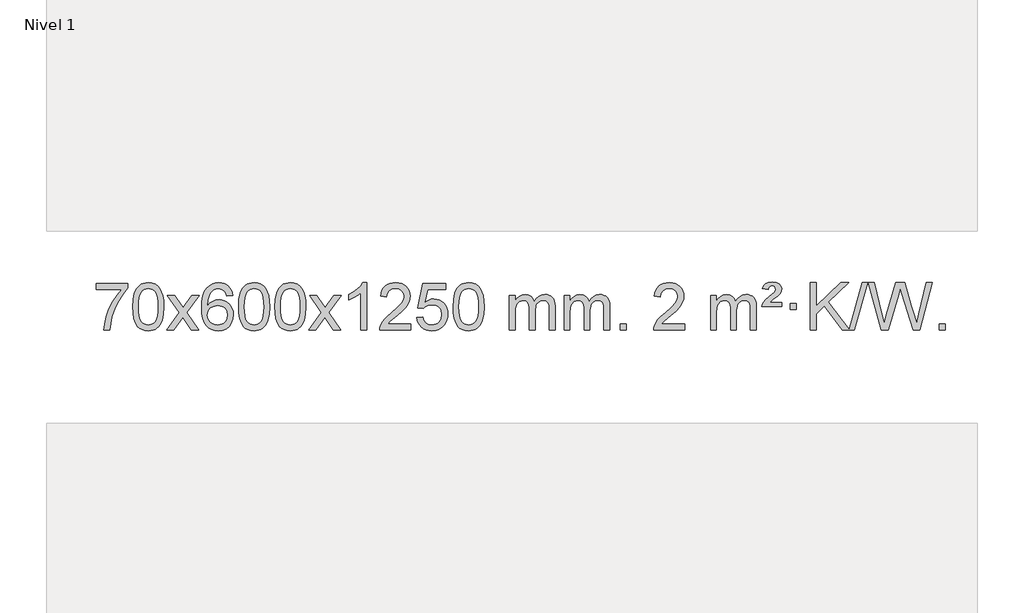
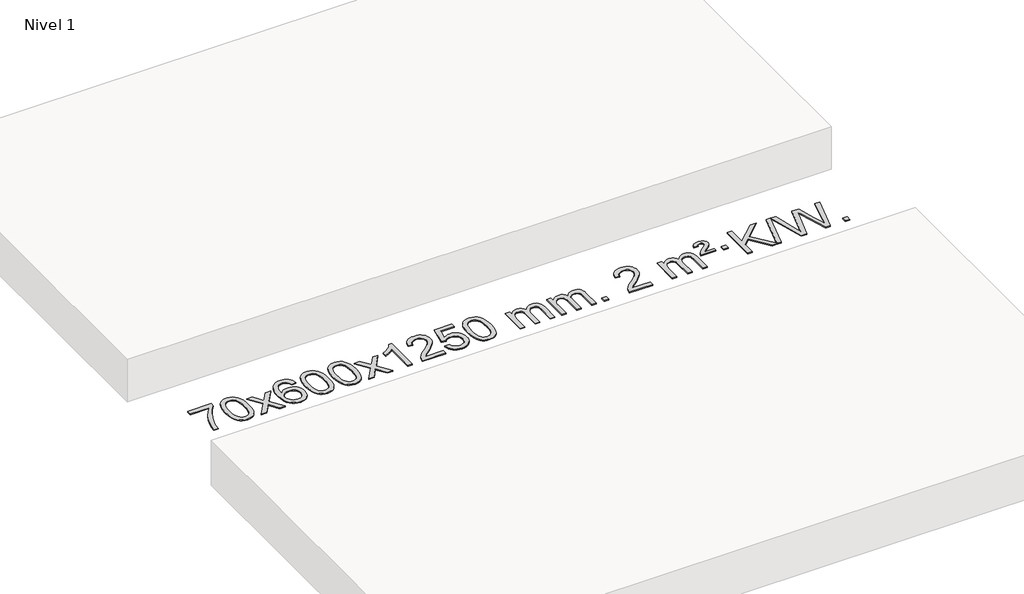
# One storey, part 3 of 7: 1 proxy.
"""IFC4 building model written with IfcOpenShell, lengths in millimetres."""

from ifc_helpers import new_model, si_unit, origin, origin_with_axes, place, context, project, spatial, polyline, outline, extrude, element, save

model = new_model("IFC4")

# Units and contexts
model_context = context("Model", 3, world=origin())
ifc_project = project(units=[si_unit("LENGTHUNIT", "METRE", prefix="MILLI")], contexts=[model_context])

# Site, building, storey
site = spatial("IfcSite", under=ifc_project)
building = spatial("IfcBuilding", under=site)
storey = spatial("IfcBuildingStorey", under=building, Name="Nivel 1", Elevation=0.0)

# Proxy
placement = place(None, origin())
element("IfcBuildingElementProxy", 1, Name="Texto de modelo 1", ObjectType="Texto de modelo 1", at=placement, inside=storey, context=model_context, shape_type="SweptSolid", body=[
    extrude(outline(polyline([(-25593.8451637, -6639.2982907), (-25593.8451637, -6589.0701357), (-25330.1473496, -6589.0701357), (-25330.1473496, -6629.6843079), (-25367.7326267, -6677.2514499), (-25404.9500219, -6737.7435126), (-25437.7773586, -6805.6422662), (-25462.1924604, -6875.4294807), (-25474.1608879, -6927.6441985), (-25480.8318148, -6984.6168569), (-25531.0599699, -6984.6168569), (-25525.6275791, -6932.8435974), (-25511.0962403, -6871.3092024), (-25487.8583609, -6806.0837246), (-25456.3063484, -6743.2372171), (-25419.469098, -6686.4239743), (-25380.3755046, -6639.2982907), (-25593.8451637, -6639.2982907)])), origin_with_axes(), (0.0, 0.0, 1.0), 10.0),
    extrude(outline(polyline([(-25286.1977139, -6786.9415981), (-25282.5066312, -6722.6235626), (-25271.4333831, -6671.3285498), (-25253.0883343, -6632.2717446), (-25241.2302713, -6617.0383643), (-25227.5818493, -6604.6683323), (-25212.097083, -6595.097269), (-25194.7299871, -6588.2607953), (-25154.3488068, -6582.7916163), (-25123.3976683, -6586.0289778), (-25095.6838913, -6595.7410625), (-25072.5073256, -6611.5477256), (-25055.1678209, -6633.0688223), (-25042.0712219, -6660.1204117), (-25031.6233732, -6692.5185527), (-25024.7807681, -6733.6600225), (-25022.4998997, -6786.9415981), (-25026.1541942, -6850.8917516), (-25037.1170777, -6902.0641372), (-25055.3517619, -6941.1577305), (-25067.1822337, -6956.437096), (-25080.8214587, -6968.8715075), (-25096.3246191, -6978.5069501), (-25113.7468973, -6985.3894091), (-25154.3488068, -6990.8953763), (-25182.0135328, -6988.5041433), (-25206.5389992, -6981.3304444), (-25227.9252058, -6969.3742795), (-25246.1721528, -6952.6356488), (-25263.6833358, -6922.3773547), (-25276.1913236, -6884.6755815), (-25283.6961163, -6839.5303293), (-25286.1977139, -6786.9415981)]), holes=[polyline([(-25235.9695588, -6786.8434963), (-25234.4980308, -6830.5080234), (-25230.0834469, -6865.8522861), (-25222.725807, -6892.8762843), (-25212.4251111, -6911.5800181), (-25199.9661742, -6924.3056694), (-25186.1338112, -6933.3954204), (-25170.9280221, -6938.849271), (-25154.3488068, -6940.6672212), (-25137.7695916, -6938.8431396), (-25122.5638024, -6933.3708949), (-25108.7314394, -6924.2504871), (-25096.2725025, -6911.4819162), (-25085.9718066, -6892.7475256), (-25078.6141667, -6865.7296588), (-25074.1995828, -6830.4283156), (-25072.7280548, -6786.8434963), (-25074.1505319, -6744.3347317), (-25078.417963, -6709.6128027), (-25085.5303482, -6682.6777093), (-25095.4876876, -6663.5294515), (-25107.738158, -6650.1814664), (-25121.7299366, -6640.6471914), (-25137.4630232, -6634.9266264), (-25154.937418, -6633.0197713), (-25171.4307941, -6634.6997658), (-25186.3790659, -6639.7397491), (-25199.7822332, -6648.1397213), (-25211.6402962, -6659.8996825), (-25222.2843486, -6680.7463289), (-25229.8872431, -6708.8525133), (-25234.4489799, -6744.2182358), (-25235.9695588, -6786.8434963)])]), origin_with_axes(), (0.0, 0.0, 1.0), 10.0),
    extrude(outline(polyline([(-24997.3858222, -6984.6168569), (-24890.0623815, -6836.2868364), (-24991.1073028, -6689.5264458), (-24930.6765537, -6689.5264458), (-24881.9199266, -6760.1597889), (-24859.1602939, -6793.5144231), (-24839.4418189, -6766.2421045), (-24783.9161631, -6689.5264458), (-24723.4854141, -6689.5264458), (-24829.6316324, -6836.2868364), (-24727.4094887, -6984.6168569), (-24787.8402377, -6984.6168569), (-24849.3501073, -6895.4422612), (-24860.6318219, -6879.1573516), (-24936.9550731, -6984.6168569), (-24997.3858222, -6984.6168569)])), origin_with_axes(), (0.0, 0.0, 1.0), 10.0),
    extrude(outline(polyline([(-24438.597597, -6689.5264458), (-24488.8257521, -6695.8049652), (-24496.919156, -6670.9116168), (-24507.8575139, -6653.9154687), (-24530.6416722, -6638.2436957), (-24558.1837709, -6633.0197713), (-24581.5320148, -6636.0609292), (-24603.5068327, -6645.1844027), (-24622.379179, -6664.4001055), (-24637.7934346, -6690.850821), (-24648.2044951, -6728.2644199), (-24652.0672561, -6780.3687731), (-24631.9195855, -6756.8611137), (-24607.7742638, -6740.2941611), (-24580.9801919, -6730.4717119), (-24552.8862702, -6727.1975621), (-24528.7532113, -6729.4355109), (-24506.4840878, -6736.1493573), (-24486.0788998, -6747.3391013), (-24467.5376473, -6763.004743), (-24452.129523, -6782.2143145), (-24441.12372, -6804.0358482), (-24434.5202382, -6828.469344), (-24432.3190776, -6855.514802), (-24436.4638814, -6891.4813984), (-24448.8982929, -6924.8237699), (-24468.5922423, -6953.1016326), (-24494.5156603, -6973.8747026), (-24525.4913243, -6986.6402078), (-24560.3420119, -6990.8953763), (-24590.2845407, -6988.0749476), (-24617.326933, -6979.6136617), (-24641.4691889, -6965.5115186), (-24662.7113085, -6945.7685182), (-24680.0293534, -6919.5507947), (-24692.3993855, -6886.0244822), (-24699.8214047, -6845.1895807), (-24702.2954111, -6797.0460903), (-24699.5485589, -6743.0716702), (-24691.3080022, -6697.006713), (-24677.5737411, -6658.8512188), (-24658.3457754, -6628.6051874), (-24637.5052604, -6608.56175), (-24613.3415447, -6594.2450091), (-24585.8546283, -6585.6549645), (-24555.0445112, -6582.7916163), (-24531.9108651, -6584.5635812), (-24510.9722482, -6589.879476), (-24492.2286605, -6598.7393008), (-24475.6801021, -6611.1430554), (-24461.7741627, -6626.6738069), (-24450.958432, -6644.9146225), (-24443.2329101, -6665.8655021), (-24438.597597, -6689.5264458)]), holes=[polyline([(-24652.0672561, -6854.7299871), (-24649.1609883, -6876.9868478), (-24640.442185, -6898.2381644), (-24626.9041276, -6916.5096368), (-24609.5400974, -6929.8269651), (-24588.5830864, -6937.9571571), (-24564.2660865, -6940.6672212), (-24531.1199188, -6935.0508894), (-24517.2047823, -6928.0304746), (-24505.0616108, -6918.201894), (-24495.2115704, -6905.9636863), (-24488.1758272, -6891.7143904), (-24482.5472327, -6857.1825337), (-24488.1022508, -6824.036366), (-24495.0460235, -6810.4155351), (-24504.7673052, -6798.7628729), (-24516.9472649, -6789.4278673), (-24531.2670716, -6782.7600061), (-24566.3262257, -6777.4257172), (-24599.4233425, -6782.7600061), (-24627.1003313, -6798.7628729), (-24638.0233609, -6810.2622509), (-24645.8255249, -6823.4232293), (-24650.5068233, -6838.245808), (-24652.0672561, -6854.7299871)])]), origin_with_axes(), (0.0, 0.0, 1.0), 10.0),
    extrude(outline(polyline([(-24388.3694419, -6786.9415981), (-24384.6783592, -6722.6235626), (-24373.6051112, -6671.3285498), (-24355.2600623, -6632.2717446), (-24343.4019994, -6617.0383643), (-24329.7535774, -6604.6683323), (-24314.268811, -6595.097269), (-24296.9017152, -6588.2607953), (-24256.5205348, -6582.7916163), (-24225.5693963, -6586.0289778), (-24197.8556193, -6595.7410625), (-24174.6790537, -6611.5477256), (-24157.3395489, -6633.0688223), (-24144.2429499, -6660.1204117), (-24133.7951013, -6692.5185527), (-24126.9524961, -6733.6600225), (-24124.6716278, -6786.9415981), (-24128.3259223, -6850.8917516), (-24139.2888057, -6902.0641372), (-24157.5234899, -6941.1577305), (-24169.3539618, -6956.437096), (-24182.9931867, -6968.8715075), (-24198.4963472, -6978.5069501), (-24215.9186253, -6985.3894091), (-24256.5205348, -6990.8953763), (-24284.1852609, -6988.5041433), (-24308.7107272, -6981.3304444), (-24330.0969339, -6969.3742795), (-24348.3438808, -6952.6356488), (-24365.8550638, -6922.3773547), (-24378.3630516, -6884.6755815), (-24385.8678443, -6839.5303293), (-24388.3694419, -6786.9415981)]), holes=[polyline([(-24338.1412868, -6786.8434963), (-24336.6697589, -6830.5080234), (-24332.2551749, -6865.8522861), (-24324.897535, -6892.8762843), (-24314.5968391, -6911.5800181), (-24302.1379022, -6924.3056694), (-24288.3055392, -6933.3954204), (-24273.0997501, -6938.849271), (-24256.5205348, -6940.6672212), (-24239.9413196, -6938.8431396), (-24224.7355305, -6933.3708949), (-24210.9031674, -6924.2504871), (-24198.4442305, -6911.4819162), (-24188.1435347, -6892.7475256), (-24180.7858948, -6865.7296588), (-24176.3713108, -6830.4283156), (-24174.8997828, -6786.8434963), (-24176.3222599, -6744.3347317), (-24180.589691, -6709.6128027), (-24187.7020763, -6682.6777093), (-24197.6594156, -6663.5294515), (-24209.9098861, -6650.1814664), (-24223.9016646, -6640.6471914), (-24239.6347513, -6634.9266264), (-24257.109146, -6633.0197713), (-24273.6025222, -6634.6997658), (-24288.5507939, -6639.7397491), (-24301.9539612, -6648.1397213), (-24313.8120242, -6659.8996825), (-24324.4560766, -6680.7463289), (-24332.0589712, -6708.8525133), (-24336.6207079, -6744.2182358), (-24338.1412868, -6786.8434963)])]), origin_with_axes(), (0.0, 0.0, 1.0), 10.0),
    extrude(outline(polyline([(-24080.7219921, -6786.9415981), (-24077.0309094, -6722.6235626), (-24065.9576613, -6671.3285498), (-24047.6126125, -6632.2717446), (-24035.7545495, -6617.0383643), (-24022.1061275, -6604.6683323), (-24006.6213612, -6595.097269), (-23989.2542653, -6588.2607953), (-23948.873085, -6582.7916163), (-23917.9219465, -6586.0289778), (-23890.2081695, -6595.7410625), (-23867.0316038, -6611.5477256), (-23849.6920991, -6633.0688223), (-23836.5955001, -6660.1204117), (-23826.1476514, -6692.5185527), (-23819.3050463, -6733.6600225), (-23817.0241779, -6786.9415981), (-23820.6784724, -6850.8917516), (-23831.6413559, -6902.0641372), (-23849.8760401, -6941.1577305), (-23861.7065119, -6956.437096), (-23875.3457369, -6968.8715075), (-23890.8488973, -6978.5069501), (-23908.2711755, -6985.3894091), (-23948.873085, -6990.8953763), (-23976.537811, -6988.5041433), (-24001.0632774, -6981.3304444), (-24022.449484, -6969.3742795), (-24040.696431, -6952.6356488), (-24058.207614, -6922.3773547), (-24070.7156018, -6884.6755815), (-24078.2203945, -6839.5303293), (-24080.7219921, -6786.9415981)]), holes=[polyline([(-24030.493837, -6786.8434963), (-24029.022309, -6830.5080234), (-24024.6077251, -6865.8522861), (-24017.2500852, -6892.8762843), (-24006.9493893, -6911.5800181), (-23994.4904524, -6924.3056694), (-23980.6580894, -6933.3954204), (-23965.4523003, -6938.849271), (-23948.873085, -6940.6672212), (-23932.2938698, -6938.8431396), (-23917.0880806, -6933.3708949), (-23903.2557176, -6924.2504871), (-23890.7967807, -6911.4819162), (-23880.4960848, -6892.7475256), (-23873.1384449, -6865.7296588), (-23868.723861, -6830.4283156), (-23867.252333, -6786.8434963), (-23868.6748101, -6744.3347317), (-23872.9422412, -6709.6128027), (-23880.0546264, -6682.6777093), (-23890.0119658, -6663.5294515), (-23902.2624362, -6650.1814664), (-23916.2542148, -6640.6471914), (-23931.9873014, -6634.9266264), (-23949.4616962, -6633.0197713), (-23965.9550723, -6634.6997658), (-23980.9033441, -6639.7397491), (-23994.3065114, -6648.1397213), (-24006.1645744, -6659.8996825), (-24016.8086268, -6680.7463289), (-24024.4115214, -6708.8525133), (-24028.9732581, -6744.2182358), (-24030.493837, -6786.8434963)])]), origin_with_axes(), (0.0, 0.0, 1.0), 10.0),
    extrude(outline(polyline([(-23791.9101004, -6984.6168569), (-23684.5866597, -6836.2868364), (-23785.631581, -6689.5264458), (-23725.2008319, -6689.5264458), (-23676.4442048, -6760.1597889), (-23653.6845721, -6793.5144231), (-23633.9660971, -6766.2421045), (-23578.4404413, -6689.5264458), (-23518.0096923, -6689.5264458), (-23624.1559106, -6836.2868364), (-23521.9337669, -6984.6168569), (-23582.3645159, -6984.6168569), (-23643.8743855, -6895.4422612), (-23655.1561001, -6879.1573516), (-23731.4793513, -6984.6168569), (-23791.9101004, -6984.6168569)])), origin_with_axes(), (0.0, 0.0, 1.0), 10.0),
    extrude(outline(polyline([(-23302.1855884, -6984.6168569), (-23352.4137435, -6984.6168569), (-23352.4137435, -6671.4757026), (-23373.3830172, -6688.4350626), (-23399.9931482, -6705.3698971), (-23452.8700536, -6730.7292293), (-23452.8700536, -6683.2479264), (-23413.420841, -6661.7881434), (-23379.2446037, -6636.2571329), (-23352.3033789, -6609.1074417), (-23334.559204, -6582.7916163), (-23302.1855884, -6582.7916163), (-23302.1855884, -6984.6168569)])), origin_with_axes(), (0.0, 0.0, 1.0), 10.0),
    extrude(outline(polyline([(-22925.4744254, -6934.3887018), (-22925.4744254, -6984.6168569), (-23189.1722395, -6984.6168569), (-23188.0685935, -6966.9339956), (-23183.7766369, -6949.9868984), (-23171.3912764, -6922.9230463), (-23153.2669568, -6896.6685346), (-23127.0492333, -6869.1877495), (-23090.3836611, -6838.4450775), (-23036.1823804, -6790.301587), (-23003.6616121, -6754.7641863), (-22987.4012279, -6725.9222379), (-22981.9810998, -6697.8651044), (-22987.0946596, -6672.7142386), (-23002.4353388, -6651.8062786), (-23026.0165746, -6637.7163982), (-23055.8518045, -6633.0197713), (-23087.1830877, -6637.6060336), (-23111.5246131, -6651.3648202), (-23127.2331742, -6673.2170107), (-23132.665565, -6702.0834846), (-23182.8937201, -6695.8049652), (-23178.5741724, -6669.8754159), (-23170.7168261, -6647.2200164), (-23159.3216813, -6627.8387666), (-23144.388738, -6611.7316666), (-23126.2613526, -6599.0703946), (-23105.2828819, -6590.0266288), (-23081.4533256, -6584.6003694), (-23054.7726839, -6582.7916163), (-23027.8529189, -6584.8027045), (-23003.894604, -6590.8359692), (-22982.8977391, -6600.8914104), (-22964.8623243, -6614.9690281), (-22950.3769708, -6632.02649), (-22940.0302896, -6651.0214636), (-22933.822281, -6671.9539492), (-22931.7529447, -6694.8239465), (-22933.9847622, -6718.8466408), (-22940.6802145, -6742.4524022), (-22952.5628029, -6766.4628337), (-22970.3560288, -6791.6995386), (-22998.7197306, -6821.829074), (-23042.313747, -6860.5179972), (-23100.0957457, -6908.8331659), (-23122.7572766, -6934.3887018), (-22925.4744254, -6934.3887018)])), origin_with_axes(), (0.0, 0.0, 1.0), 10.0),
    extrude(outline(polyline([(-22875.2462703, -6877.8820273), (-22825.0181152, -6871.603508), (-22815.7965399, -6901.7575688), (-22799.7078339, -6923.3522419), (-22776.8255738, -6936.3384764), (-22747.223336, -6940.6672212), (-22728.0934722, -6939.1619707), (-22711.2199514, -6934.6462192), (-22696.6027734, -6927.1199667), (-22684.2419384, -6916.5832132), (-22674.4133578, -6903.5571249), (-22667.392943, -6888.5628679), (-22661.7766112, -6852.6698479), (-22667.0373238, -6818.8737553), (-22673.6132144, -6804.9555532), (-22682.8194613, -6793.0239138), (-22694.6867214, -6783.4528505), (-22709.2456513, -6776.6163768), (-22746.438521, -6771.1471978), (-22770.8045719, -6773.3299643), (-22790.5353095, -6779.8782638), (-22806.2929217, -6789.9091796), (-22818.7395958, -6802.5397947), (-22868.9677509, -6796.2612753), (-22825.0181152, -6589.0701357), (-22630.3840143, -6589.0701357), (-22630.3840143, -6639.2982907), (-22784.4039429, -6639.2982907), (-22805.8882515, -6749.9571949), (-22788.1624707, -6737.2530033), (-22770.0074942, -6728.1785808), (-22751.4233221, -6722.7339272), (-22732.4099543, -6720.9190427), (-22707.9488673, -6723.1692543), (-22685.4804744, -6729.9198889), (-22665.0047757, -6741.1709466), (-22646.5217712, -6756.9224273), (-22631.2209458, -6776.2117066), (-22620.2917849, -6798.0761598), (-22613.7342883, -6822.5157871), (-22611.5484561, -6849.5305882), (-22613.5166248, -6875.552108), (-22619.4211308, -6899.7587433), (-22629.2619742, -6922.1504941), (-22643.0391549, -6942.7273604), (-22663.9103268, -6963.8008673), (-22688.2641149, -6978.8533723), (-22716.1005192, -6987.8848753), (-22747.4195397, -6990.8953763), (-22773.3398919, -6988.9609301), (-22796.7525152, -6983.1575916), (-22817.6574096, -6973.4853608), (-22836.0545751, -6959.9442377), (-22851.3615318, -6943.2086726), (-22862.9957998, -6923.9531159), (-22870.9573794, -6902.1775674), (-22875.2462703, -6877.8820273)])), origin_with_axes(), (0.0, 0.0, 1.0), 10.0),
    extrude(outline(polyline([(-22567.5988205, -6786.9415981), (-22563.9077378, -6722.6235626), (-22552.8344897, -6671.3285498), (-22534.4894409, -6632.2717446), (-22522.6313779, -6617.0383643), (-22508.9829559, -6604.6683323), (-22493.4981896, -6595.097269), (-22476.1310937, -6588.2607953), (-22435.7499134, -6582.7916163), (-22404.7987749, -6586.0289778), (-22377.0849979, -6595.7410625), (-22353.9084322, -6611.5477256), (-22336.5689275, -6633.0688223), (-22323.4723285, -6660.1204117), (-22313.0244798, -6692.5185527), (-22306.1818747, -6733.6600225), (-22303.9010063, -6786.9415981), (-22307.5553008, -6850.8917516), (-22318.5181843, -6902.0641372), (-22336.7528685, -6941.1577305), (-22348.5833403, -6956.437096), (-22362.2225653, -6968.8715075), (-22377.7257257, -6978.5069501), (-22395.1480038, -6985.3894091), (-22435.7499134, -6990.8953763), (-22463.4146394, -6988.5041433), (-22487.9401058, -6981.3304444), (-22509.3263124, -6969.3742795), (-22527.5732594, -6952.6356488), (-22545.0844423, -6922.3773547), (-22557.5924302, -6884.6755815), (-22565.0972229, -6839.5303293), (-22567.5988205, -6786.9415981)]), holes=[polyline([(-22517.3706654, -6786.8434963), (-22515.8991374, -6830.5080234), (-22511.4845535, -6865.8522861), (-22504.1269136, -6892.8762843), (-22493.8262177, -6911.5800181), (-22481.3672808, -6924.3056694), (-22467.5349178, -6933.3954204), (-22452.3291286, -6938.849271), (-22435.7499134, -6940.6672212), (-22419.1706981, -6938.8431396), (-22403.964909, -6933.3708949), (-22390.132546, -6924.2504871), (-22377.6736091, -6911.4819162), (-22367.3729132, -6892.7475256), (-22360.0152733, -6865.7296588), (-22355.6006894, -6830.4283156), (-22354.1291614, -6786.8434963), (-22355.5516384, -6744.3347317), (-22359.8190696, -6709.6128027), (-22366.9314548, -6682.6777093), (-22376.8887942, -6663.5294515), (-22389.1392646, -6650.1814664), (-22403.1310431, -6640.6471914), (-22418.8641298, -6634.9266264), (-22436.3385246, -6633.0197713), (-22452.8319007, -6634.6997658), (-22467.7801724, -6639.7397491), (-22481.1833398, -6648.1397213), (-22493.0414028, -6659.8996825), (-22503.6854552, -6680.7463289), (-22511.2883497, -6708.8525133), (-22515.8500865, -6744.2182358), (-22517.3706654, -6786.8434963)])]), origin_with_axes(), (0.0, 0.0, 1.0), 10.0),
    extrude(outline(polyline([(-22090.4313472, -6984.6168569), (-22090.4313472, -6689.5264458), (-22040.2031922, -6689.5264458), (-22040.2031922, -6738.0868692), (-22025.0955049, -6715.7809575), (-22005.6713356, -6698.3065628), (-21982.5928717, -6687.0125855), (-21956.522301, -6683.2479264), (-21928.5877948, -6687.0861619), (-21906.1960441, -6698.6008684), (-21889.469676, -6717.0317563), (-21878.531318, -6741.6185363), (-21860.2230574, -6716.0813945), (-21839.3396228, -6697.8405789), (-21815.8810142, -6686.8960895), (-21789.8472317, -6683.2479264), (-21769.739415, -6684.7654397), (-21752.0902763, -6689.3179793), (-21736.8998156, -6696.9055455), (-21724.1680328, -6707.5281381), (-21714.1033946, -6721.3083845), (-21706.9143673, -6738.368912), (-21702.6009509, -6758.7097207), (-21701.1631454, -6782.3308105), (-21701.1631454, -6984.6168569), (-21751.3913005, -6984.6168569), (-21751.3913005, -6803.9132208), (-21752.5562601, -6778.860457), (-21756.0511391, -6761.9746734), (-21762.5994386, -6750.410916), (-21772.9246599, -6741.3242307), (-21786.2052, -6735.4381188), (-21801.6194556, -6733.4760815), (-21828.8304605, -6738.5038021), (-21851.0137448, -6753.5869639), (-21859.6191178, -6765.1568526), (-21865.7658128, -6779.7556365), (-21870.6831688, -6818.0398895), (-21870.6831688, -6984.6168569), (-21920.9113239, -6984.6168569), (-21920.9113239, -6798.3214145), (-21923.8175916, -6769.9209245), (-21932.5363949, -6749.6628893), (-21947.8770741, -6737.5227834), (-21970.6489696, -6733.4760815), (-21989.9995626, -6736.1738828), (-22007.8295766, -6744.2672867), (-22022.5448564, -6757.5600894), (-22032.5512467, -6775.8560873), (-22038.2902058, -6801.239945), (-22040.2031922, -6835.7963271), (-22040.2031922, -6984.6168569), (-22090.4313472, -6984.6168569)])), origin_with_axes(), (0.0, 0.0, 1.0), 10.0),
    extrude(outline(polyline([(-21625.8209128, -6984.6168569), (-21625.8209128, -6689.5264458), (-21575.5927577, -6689.5264458), (-21575.5927577, -6738.0868692), (-21560.4850705, -6715.7809575), (-21541.0609011, -6698.3065628), (-21517.9824373, -6687.0125855), (-21491.9118666, -6683.2479264), (-21463.9773604, -6687.0861619), (-21441.5856096, -6698.6008684), (-21424.8592416, -6717.0317563), (-21413.9208836, -6741.6185363), (-21395.612623, -6716.0813945), (-21374.7291884, -6697.8405789), (-21351.2705798, -6686.8960895), (-21325.2367973, -6683.2479264), (-21305.1289806, -6684.7654397), (-21287.4798418, -6689.3179793), (-21272.2893811, -6696.9055455), (-21259.5575984, -6707.5281381), (-21249.4929602, -6721.3083845), (-21242.3039328, -6738.368912), (-21237.9905164, -6758.7097207), (-21236.552711, -6782.3308105), (-21236.552711, -6984.6168569), (-21286.780866, -6984.6168569), (-21286.780866, -6803.9132208), (-21287.9458257, -6778.860457), (-21291.4407047, -6761.9746734), (-21297.9890042, -6750.410916), (-21308.3142255, -6741.3242307), (-21321.5947655, -6735.4381188), (-21337.0090211, -6733.4760815), (-21364.220026, -6738.5038021), (-21386.4033103, -6753.5869639), (-21395.0086833, -6765.1568526), (-21401.1553783, -6779.7556365), (-21406.0727343, -6818.0398895), (-21406.0727343, -6984.6168569), (-21456.3008894, -6984.6168569), (-21456.3008894, -6798.3214145), (-21459.2071572, -6769.9209245), (-21467.9259605, -6749.6628893), (-21483.2666397, -6737.5227834), (-21506.0385352, -6733.4760815), (-21525.3891281, -6736.1738828), (-21543.2191422, -6744.2672867), (-21557.934422, -6757.5600894), (-21567.9408122, -6775.8560873), (-21573.6797714, -6801.239945), (-21575.5927577, -6835.7963271), (-21575.5927577, -6984.6168569), (-21625.8209128, -6984.6168569)])), origin_with_axes(), (0.0, 0.0, 1.0), 10.0),
    extrude(outline(polyline([(-21148.6534396, -6984.6168569), (-21148.6534396, -6934.3887018), (-21098.4252845, -6934.3887018), (-21098.4252845, -6984.6168569), (-21148.6534396, -6984.6168569)])), origin_with_axes(), (0.0, 0.0, 1.0), 10.0),
    extrude(outline(polyline([(-20602.4222532, -6934.3887018), (-20602.4222532, -6984.6168569), (-20866.1200673, -6984.6168569), (-20865.0164213, -6966.9339956), (-20860.7244647, -6949.9868984), (-20848.3391042, -6922.9230463), (-20830.2147846, -6896.6685346), (-20803.997061, -6869.1877495), (-20767.3314889, -6838.4450775), (-20713.1302082, -6790.301587), (-20680.6094399, -6754.7641863), (-20664.3490557, -6725.9222379), (-20658.9289276, -6697.8651044), (-20664.0424873, -6672.7142386), (-20679.3831665, -6651.8062786), (-20702.9644024, -6637.7163982), (-20732.7996322, -6633.0197713), (-20764.1309155, -6637.6060336), (-20788.4724408, -6651.3648202), (-20804.181002, -6673.2170107), (-20809.6133928, -6702.0834846), (-20859.8415479, -6695.8049652), (-20855.5220002, -6669.8754159), (-20847.6646539, -6647.2200164), (-20836.2695091, -6627.8387666), (-20821.3365657, -6611.7316666), (-20803.2091804, -6599.0703946), (-20782.2307097, -6590.0266288), (-20758.4011534, -6584.6003694), (-20731.7205117, -6582.7916163), (-20704.8007467, -6584.8027045), (-20680.8424318, -6590.8359692), (-20659.8455669, -6600.8914104), (-20641.8101521, -6614.9690281), (-20627.3247985, -6632.02649), (-20616.9781174, -6651.0214636), (-20610.7701088, -6671.9539492), (-20608.7007725, -6694.8239465), (-20610.93259, -6718.8466408), (-20617.6280423, -6742.4524022), (-20629.5106307, -6766.4628337), (-20647.3038566, -6791.6995386), (-20675.6675584, -6821.829074), (-20719.2615748, -6860.5179972), (-20777.0435735, -6908.8331659), (-20799.7051044, -6934.3887018), (-20602.4222532, -6934.3887018)])), origin_with_axes(), (0.0, 0.0, 1.0), 10.0),
    extrude(outline(polyline([(-20382.6740747, -6984.6168569), (-20382.6740747, -6689.5264458), (-20332.4459196, -6689.5264458), (-20332.4459196, -6738.0868692), (-20317.3382324, -6715.7809575), (-20297.914063, -6698.3065628), (-20274.8355992, -6687.0125855), (-20248.7650285, -6683.2479264), (-20220.8305223, -6687.0861619), (-20198.4387715, -6698.6008684), (-20181.7124035, -6717.0317563), (-20170.7740455, -6741.6185363), (-20152.4657849, -6716.0813945), (-20131.5823503, -6697.8405789), (-20108.1237417, -6686.8960895), (-20082.0899592, -6683.2479264), (-20061.9821425, -6684.7654397), (-20044.3330037, -6689.3179793), (-20029.142543, -6696.9055455), (-20016.4107603, -6707.5281381), (-20006.3461221, -6721.3083845), (-19999.1570947, -6738.368912), (-19994.8436783, -6758.7097207), (-19993.4058729, -6782.3308105), (-19993.4058729, -6984.6168569), (-20043.6340279, -6984.6168569), (-20043.6340279, -6803.9132208), (-20044.7989876, -6778.860457), (-20048.2938666, -6761.9746734), (-20054.8421661, -6750.410916), (-20065.1673874, -6741.3242307), (-20078.4479274, -6735.4381188), (-20093.862183, -6733.4760815), (-20121.0731879, -6738.5038021), (-20143.2564722, -6753.5869639), (-20151.8618452, -6765.1568526), (-20158.0085402, -6779.7556365), (-20162.9258962, -6818.0398895), (-20162.9258962, -6984.6168569), (-20213.1540513, -6984.6168569), (-20213.1540513, -6798.3214145), (-20216.0603191, -6769.9209245), (-20224.7791224, -6749.6628893), (-20240.1198016, -6737.5227834), (-20262.8916971, -6733.4760815), (-20282.24229, -6736.1738828), (-20300.072304, -6744.2672867), (-20314.7875839, -6757.5600894), (-20324.7939741, -6775.8560873), (-20330.5329333, -6801.239945), (-20332.4459196, -6835.7963271), (-20332.4459196, -6984.6168569), (-20382.6740747, -6984.6168569)])), origin_with_axes(), (0.0, 0.0, 1.0), 10.0),
    extrude(outline(polyline([(-19949.4562372, -6783.7042366), (-19945.6302644, -6767.8853108), (-19937.2916059, -6752.0173341), (-19915.7827719, -6726.878731), (-19883.8260892, -6699.1404286), (-19839.6802498, -6661.7636179), (-19832.5433391, -6650.2366487), (-19830.1643689, -6638.4153739), (-19832.0528298, -6626.324319), (-19837.7182125, -6616.538658), (-19847.0869407, -6610.0639348), (-19860.0854378, -6607.9056938), (-19872.5198493, -6609.5243746), (-19881.3735426, -6614.3804169), (-19887.7992148, -6623.8472469), (-19892.9495627, -6639.2982907), (-19943.1777178, -6633.0197713), (-19932.3374617, -6607.8075919), (-19915.7091955, -6590.247358), (-19891.9440186, -6579.9466622), (-19859.6930304, -6576.5130969), (-19823.910375, -6580.645638), (-19799.1641794, -6593.0432612), (-19784.7432052, -6611.3760473), (-19779.9362138, -6633.3140769), (-19784.0319667, -6656.2208625), (-19796.3192253, -6677.8523238), (-19816.8470407, -6697.6689006), (-19853.3164091, -6725.7260341), (-19878.920996, -6752.3116396), (-19779.9362138, -6752.3116396), (-19779.9362138, -6783.7042366), (-19949.4562372, -6783.7042366)])), origin_with_axes(), (0.0, 0.0, 1.0), 10.0),
    extrude(outline(polyline([(-19704.5939812, -6808.8183141), (-19704.5939812, -6758.590159), (-19654.3658261, -6758.590159), (-19654.3658261, -6808.8183141), (-19704.5939812, -6808.8183141)])), origin_with_axes(), (0.0, 0.0, 1.0), 10.0),
    extrude(outline(polyline([(-19263.7241982, -6984.6168569), (-19417.1555156, -6781.938403), (-19484.8458027, -6846.4894304), (-19484.8458027, -6984.6168569), (-19535.0739578, -6984.6168569), (-19535.0739578, -6582.7916163), (-19484.8458027, -6582.7916163), (-19484.8458027, -6779.4858564), (-19278.8318854, -6582.7916163), (-19208.5909498, -6582.7916163), (-19381.5445385, -6747.9951576), (-19206.8909286, -6978.5723371), (-19095.5776009, -6582.7916163), (-19050.2545391, -6582.7916163), (-19163.267888, -6984.6168569), (-19202.3124304, -6984.6168569), (-19208.5909498, -6984.6168569), (-19263.7241982, -6984.6168569)])), origin_with_axes(), (0.0, 0.0, 1.0), 10.0),
    extrude(outline(polyline([(-18935.7696622, -6984.6168569), (-19045.3494458, -6582.7916163), (-18993.5516609, -6582.7916163), (-18929.9816521, -6846.8818379), (-18910.3612791, -6928.404488), (-18889.3674799, -6856.299617), (-18809.7087652, -6582.7916163), (-18735.0532456, -6582.7916163), (-18677.1731451, -6781.0554862), (-18652.3778986, -6854.6318852), (-18634.1064262, -6928.404488), (-18615.0746643, -6849.2362826), (-18550.9160443, -6582.7916163), (-18499.1182594, -6582.7916163), (-18608.7961449, -6984.6168569), (-18662.4578653, -6984.6168569), (-18758.7938971, -6674.6149623), (-18772.2338526, -6631.3520396), (-18787.3415399, -6683.4441302), (-18875.1427094, -6984.6168569), (-18935.7696622, -6984.6168569)])), origin_with_axes(), (0.0, 0.0, 1.0), 10.0),
    extrude(outline(polyline([(-18442.6115849, -6984.6168569), (-18442.6115849, -6934.3887018), (-18392.3834299, -6934.3887018), (-18392.3834299, -6984.6168569), (-18442.6115849, -6984.6168569)])), origin_with_axes(), (0.0, 0.0, 1.0), 10.0),
])

save(model, "model.ifc")
